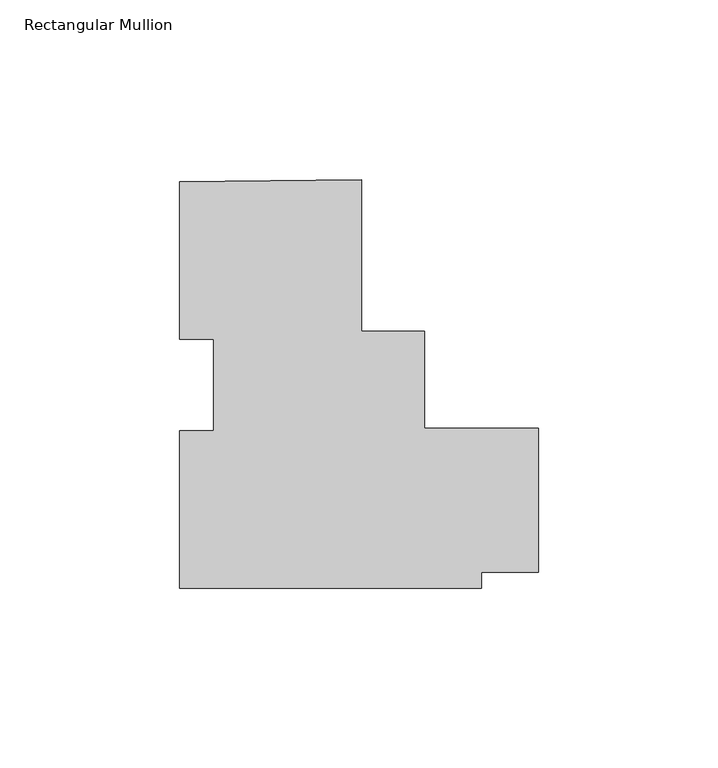
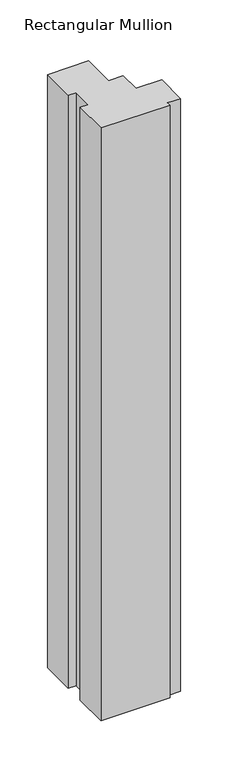
"""IFC4 building model written with IfcOpenShell, lengths in millimetres: member geometry, Rectangular Mullion."""

from ifc_helpers import new_model, si_unit, frame, origin, place, context, project, spatial, polyline, outline, extrude, source, transform, mapped, element, save


def rectangular_mullion_74bdda03(model_context):
    return source(origin(), model_context, "Body", "SweptSolid", [
        extrude(outline(polyline([(10.7927347, 49.9428429), (10.7927347, 7.6295813), (28.2552347, 7.6295813), (28.2552347, -19.3878456), (60.0161047, -19.3878456), (60.0161047, -59.3929512), (44.1420142, -59.3929512), (44.1420142, -63.8298232), (-40.0072653, -63.8298232), (-40.0072653, -20.0220554), (-30.4822653, -20.0220554), (-30.4822653, 5.465643), (-40.0072653, 5.465643), (-40.0072653, 49.2848408), (10.7927347, 49.9428429)])), frame((0.0, 0.0, -764.9541979), z_axis=(0.0, 0.0, 1.0), x_axis=(1.0, 0.0, 0.0)), (0.0, 0.0, 1.0), 764.9541979),
    ])


if __name__ == "__main__":
    model = new_model("IFC4")
    model_context = context("Model", 3, world=origin())
    ifc_project = project(units=[si_unit("LENGTHUNIT", "METRE", prefix="MILLI")], contexts=[model_context])
    site = spatial("IfcSite", under=ifc_project)
    building = spatial("IfcBuilding", under=site)
    placement = place(None, origin())
    rectangular_mullion_shape = rectangular_mullion_74bdda03(model_context)
    element("IfcMember", 1, ObjectType="Rectangular Mullion", at=placement, inside=building, context=model_context, shape_type="MappedRepresentation", body=[
        mapped(rectangular_mullion_shape, transform((0.0, 0.0, 0.0), x_axis=(1.0, 0.0, 0.0), y_axis=(0.0, 1.0, 0.0), z_axis=(0.0, 0.0, 1.0))),
    ])
    save(model, "model.ifc")
